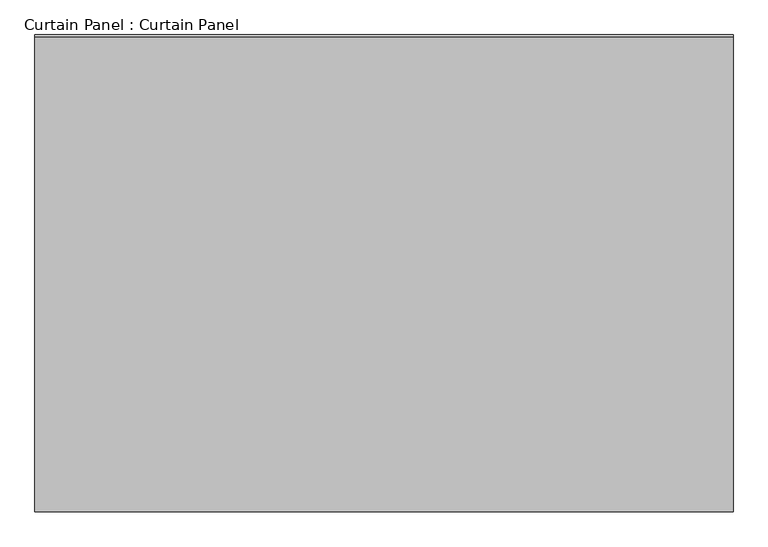
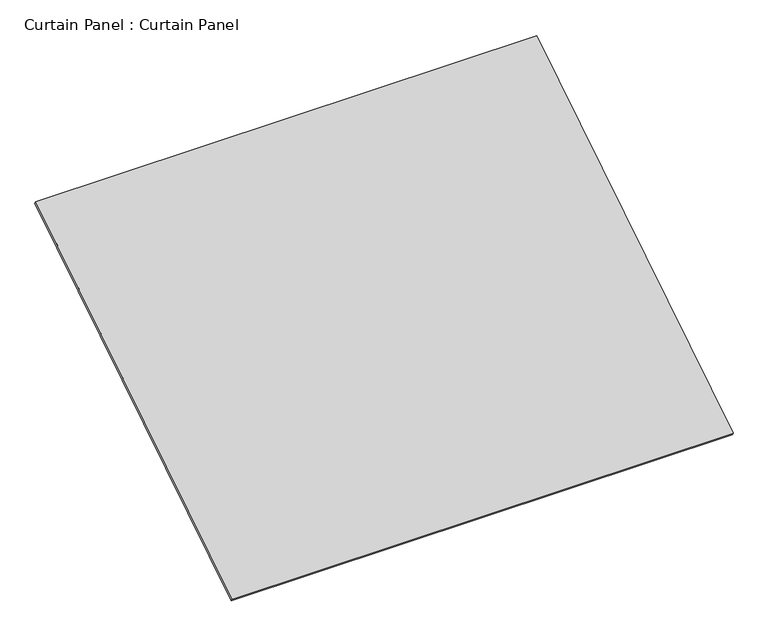
"""IFC4 building model written with IfcOpenShell, lengths in millimetres: plate geometry, Curtain Panel : Curtain Panel."""

from ifc_helpers import new_model, si_unit, frame, origin, place, context, project, spatial, polyline, outline, extrude, source, transform, mapped, element, save


def curtain_panel_curtain_panel_2a175d17(model_context):
    return source(origin(), model_context, "Body", "SweptSolid", [
        extrude(outline(polyline([(3754.902951, 0.0), (3754.902951, -3013.075), (0.0, -3013.075), (0.0, 0.0), (3754.902951, 0.0)])), frame((-126814.6430895, -3925.8916967, 7181.9913829), z_axis=(0.0, -0.5318918435658209, 0.8468122972348432), x_axis=(-1.0, 0.0, 0.0)), (0.0, 0.0, 1.0), 25.4),
    ])


if __name__ == "__main__":
    model = new_model("IFC4")
    model_context = context("Model", 3, world=origin())
    ifc_project = project(units=[si_unit("LENGTHUNIT", "METRE", prefix="MILLI")], contexts=[model_context])
    site = spatial("IfcSite", under=ifc_project)
    building = spatial("IfcBuilding", under=site)
    placement = place(None, origin())
    curtain_panel_curtain_panel_shape = curtain_panel_curtain_panel_2a175d17(model_context)
    element("IfcPlate", 1, ObjectType="Curtain Panel : Curtain Panel", at=placement, inside=building, context=model_context, shape_type="MappedRepresentation", body=[
        mapped(curtain_panel_curtain_panel_shape, transform((0.0, 0.0, 0.0), x_axis=(1.0, 0.0, 0.0), y_axis=(0.0, 1.0, 0.0), z_axis=(0.0, 0.0, 1.0))),
    ])
    save(model, "model.ifc")
